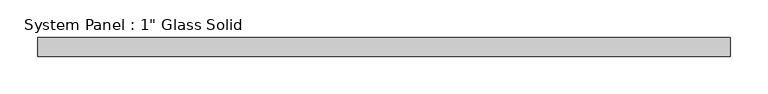
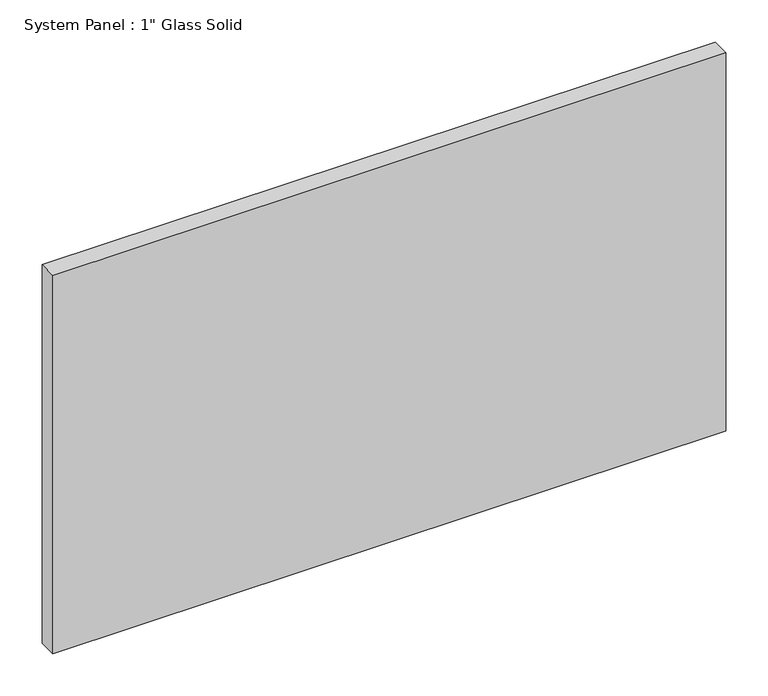
"""IFC4 building model written with IfcOpenShell, lengths in millimetres: plate geometry."""

from ifc_helpers import new_model, si_unit, origin, origin_with_axes, place, context, project, spatial, polyline, outline, extrude, source, transform, mapped, element, save


def plate_b028f5d5(model_context):
    return source(origin(), model_context, "Body", "SweptSolid", [
        extrude(outline(polyline([(461.9633852, -12.7), (-461.9633852, -12.7), (-461.9633852, 12.7), (461.9633852, 12.7), (461.9633852, -12.7)])), origin_with_axes(), (0.0, 0.0, 1.0), 549.2785408),
    ])


if __name__ == "__main__":
    model = new_model("IFC4")
    model_context = context("Model", 3, world=origin())
    ifc_project = project(units=[si_unit("LENGTHUNIT", "METRE", prefix="MILLI")], contexts=[model_context])
    site = spatial("IfcSite", under=ifc_project)
    building = spatial("IfcBuilding", under=site)
    placement = place(None, origin())
    plate_shape = plate_b028f5d5(model_context)
    element("IfcPlate", 1, ObjectType="System Panel : 1\" Glass Solid", at=placement, inside=building, context=model_context, shape_type="MappedRepresentation", body=[
        mapped(plate_shape, transform((0.0, 0.0, 0.0), x_axis=(1.0, 0.0, 0.0), y_axis=(0.0, 1.0, 0.0), z_axis=(0.0, 0.0, 1.0))),
    ])
    save(model, "model.ifc")
